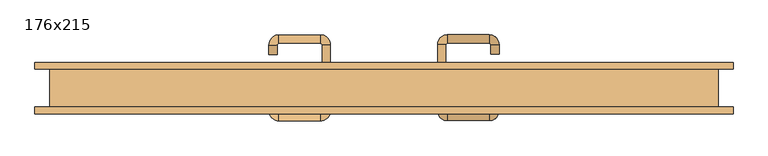
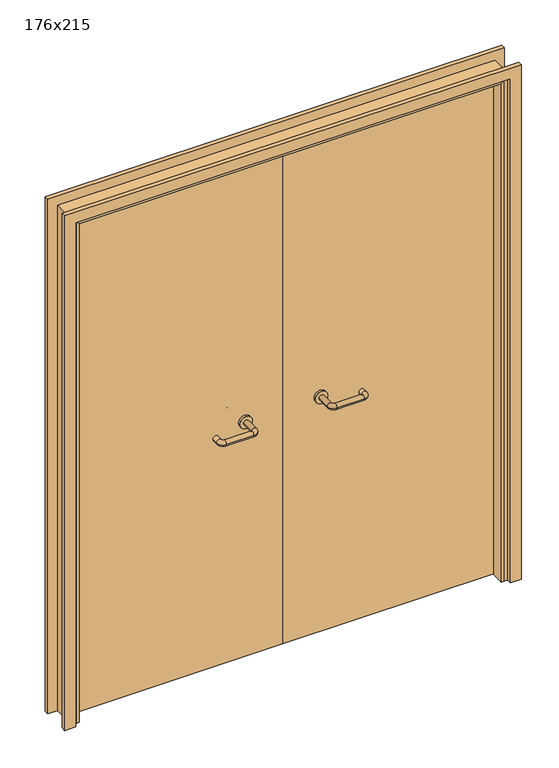
"""IFC4 building model written with IfcOpenShell, lengths in millimetres: door geometry, 176x215."""

from ifc_helpers import new_model, si_unit, point, frame, frame_2d, origin, place, context, project, spatial, polyline, circle_curve, ellipse_curve, trimmed, segment, composite_curve, outline, extrude, faceted_brep, source, transform, mapped, element, save
from ifc_brep_helpers import plane_surface, cylinder_surface, revolved_surface, advanced_brep


def door_176x215_680463d9(model_context):
    return source(origin(), model_context, "Body", "SolidModel", [
        faceted_brep([(-850.0, 3.0, 0.0), (-850.0, -49.0, 0.0), (-860.0, -49.0, 0.0), (-860.0, 3.0, 0.0), (-850.0, 3.0, 2120.0), (-850.0, -49.0, 2120.0), (-860.0, -49.0, 2130.0), (-860.0, 3.0, 2130.0), (850.0, 3.0, 0.0), (860.0, 3.0, 0.0), (860.0, -49.0, 0.0), (850.0, -49.0, 0.0), (850.0, 3.0, 2120.0), (860.0, 3.0, 2130.0), (860.0, -49.0, 2130.0), (850.0, -49.0, 2120.0)], [[[0, 1, 2, 3]], [[1, 0, 4, 5]], [[2, 1, 5, 6]], [[3, 2, 6, 7]], [[0, 3, 7, 4]], [[8, 9, 10, 11]], [[12, 13, 9, 8]], [[13, 14, 10, 9]], [[14, 15, 11, 10]], [[15, 12, 8, 11]], [[5, 4, 12, 15]], [[6, 5, 15, 14]], [[7, 6, 14, 13]], [[4, 7, 13, 12]]]),
        extrude(outline(polyline([(2189.0, 919.0), (2189.0, -919.0), (0.0, -919.0), (0.0, -875.0), (2145.0, -875.0), (2145.0, 875.0), (0.0, 875.0), (0.0, 919.0), (2189.0, 919.0)])), frame((0.0, 50.0, 0.0), z_axis=(0.0, 1.0, 0.0), x_axis=(0.0, 0.0, 1.0)), (0.0, 0.0, 1.0), 18.0),
        extrude(outline(polyline([(2189.0, -919.0), (0.0, -919.0), (0.0, -875.0), (2145.0, -875.0), (2145.0, 875.0), (0.0, 875.0), (0.0, 919.0), (2189.0, 919.0), (2189.0, -919.0)])), frame((0.0, -68.0, 0.0), z_axis=(0.0, 1.0, 0.0), x_axis=(0.0, 0.0, 1.0)), (0.0, 0.0, 1.0), 18.0),
        extrude(outline(polyline([(2150.0, -880.0), (0.0, -880.0), (0.0, -860.0), (2130.0, -860.0), (2130.0, 860.0), (0.0, 860.0), (0.0, 880.0), (2150.0, 880.0), (2150.0, -880.0)])), frame((0.0, -49.0, 0.0), z_axis=(0.0, 1.0, 0.0), x_axis=(0.0, 0.0, 1.0)), (0.0, 0.0, 1.0), 99.0),
        advanced_brep(
        [(140.99898, -4.0, 1003.0), (162.99898, -4.0, 1003.0), (140.99898, -59.3525369, 1003.0), (162.99898, -59.3525369, 1003.0), (166.99898, -63.3525369, 1003.0), (166.99898, -85.3525369, 1003.0), (276.99898, -85.3525369, 1003.0), (276.99898, -63.3525369, 1003.0), (280.99898, -59.3525369, 1003.0), (302.99898, -59.3525369, 1003.0), (302.99898, -42.0, 1003.0), (280.99898, -42.0, 1003.0)],
        [
            (0, 1, circle_curve(frame((151.99898, -4.0, 1003.0), z_axis=(0.0, 1.0, 0.0), x_axis=(1.0, 0.0, 0.0)), 11.0)),
            (1, 0, circle_curve(frame((151.99898, -4.0, 1003.0), z_axis=(0.0, 1.0, 0.0), x_axis=(1.0, 0.0, 0.0)), 11.0)),
            (0, 2),
            (2, 3, circle_curve(frame((151.99898, -59.3525369, 1003.0), z_axis=(0.0, 1.0, 0.0), x_axis=(1.0, 0.0, 0.0)), 11.0)),
            (3, 1),
            (3, 2, circle_curve(frame((151.99898, -59.3525369, 1003.0), z_axis=(0.0, 1.0, 0.0), x_axis=(1.0, 0.0, 0.0)), 11.0)),
            (4, 3, circle_curve(frame((166.99898, -59.3525369, 1003.0), z_axis=(0.0, 0.0, -1.0), x_axis=(-1.0, 0.0, 0.0)), 4.0)),
            (2, 5, circle_curve(frame((166.99898, -59.3525369, 1003.0), z_axis=(0.0, 0.0, 1.0), x_axis=(-1.0, 0.0, 0.0)), 26.0)),
            (5, 4, circle_curve(frame((166.99898, -74.3525369, 1003.0), z_axis=(-1.0, 0.0, 0.0), x_axis=(0.0, 1.0, 0.0)), 11.0)),
            (4, 5, circle_curve(frame((166.99898, -74.3525369, 1003.0), z_axis=(-1.0, 0.0, 0.0), x_axis=(0.0, 1.0, 0.0)), 11.0)),
            (5, 6),
            (6, 7, circle_curve(frame((276.99898, -74.3525369, 1003.0), z_axis=(-1.0, 0.0, 0.0), x_axis=(0.0, 1.0, 0.0)), 11.0)),
            (7, 4),
            (7, 6, circle_curve(frame((276.99898, -74.3525369, 1003.0), z_axis=(-1.0, 0.0, 0.0), x_axis=(0.0, 1.0, 0.0)), 11.0)),
            (8, 7, circle_curve(frame((276.99898, -59.3525369, 1003.0), z_axis=(0.0, 0.0, -1.0), x_axis=(0.0, -1.0, 0.0)), 4.0)),
            (6, 9, circle_curve(frame((276.99898, -59.3525369, 1003.0), z_axis=(0.0, 0.0, 1.0), x_axis=(0.0, -1.0, 0.0)), 26.0)),
            (9, 8, circle_curve(frame((291.99898, -59.3525369, 1003.0), z_axis=(0.0, -1.0, 0.0), x_axis=(-1.0, 0.0, 0.0)), 11.0)),
            (8, 9, circle_curve(frame((291.99898, -59.3525369, 1003.0), z_axis=(0.0, -1.0, 0.0), x_axis=(-1.0, 0.0, 0.0)), 11.0)),
            (10, 11, circle_curve(frame((291.99898, -42.0, 1003.0), z_axis=(0.0, 1.0, 0.0), x_axis=(-1.0, 0.0, 0.0)), 11.0)),
            (11, 10, circle_curve(frame((291.99898, -42.0, 1003.0), z_axis=(0.0, 1.0, 0.0), x_axis=(-1.0, 0.0, 0.0)), 11.0)),
            (9, 10),
            (11, 8),
        ],
        [
            plane_surface(frame((140.99898, -4.0, 1003.0), z_axis=(0.0, 1.0, 0.0), x_axis=(0.0, 0.0, -1.0))),
            cylinder_surface(frame((151.99898, -4.0, 1003.0), z_axis=(0.0, 1.0, 0.0), x_axis=(1.0, 0.0, 0.0)), 11.0),
            revolved_surface(trimmed(ellipse_curve(frame((151.99898, -59.3525369, 1003.0), z_axis=(0.0, 1.0, 0.0), x_axis=(1.0, 0.0, 0.0)), 11.0, 11.0), [point((140.99898, -59.3525369, 1003.0))], [point((162.99898, -59.3525369, 1003.0))], True, "CARTESIAN"), (166.99898, -59.3525369, 1003.0), (0.0, 0.0, 1.0)),
            revolved_surface(trimmed(ellipse_curve(frame((151.99898, -59.3525369, 1003.0), z_axis=(0.0, 1.0, 0.0), x_axis=(1.0, 0.0, 0.0)), 11.0, 11.0), [point((162.99898, -59.3525369, 1003.0))], [point((140.99898, -59.3525369, 1003.0))], True, "CARTESIAN"), (166.99898, -59.3525369, 1003.0), (0.0, 0.0, 1.0)),
            cylinder_surface(frame((166.99898, -74.3525369, 1003.0), z_axis=(-1.0, 0.0, 0.0), x_axis=(0.0, 1.0, 0.0)), 11.0),
            revolved_surface(trimmed(ellipse_curve(frame((276.99898, -74.3525369, 1003.0), z_axis=(-1.0, 0.0, 0.0), x_axis=(0.0, 1.0, 0.0)), 11.0, 11.0), [point((276.99898, -85.3525369, 1003.0))], [point((276.99898, -63.3525369, 1003.0))], True, "CARTESIAN"), (276.99898, -59.3525369, 1003.0), (0.0, 0.0, 1.0)),
            revolved_surface(trimmed(ellipse_curve(frame((276.99898, -74.3525369, 1003.0), z_axis=(-1.0, 0.0, 0.0), x_axis=(0.0, 1.0, 0.0)), 11.0, 11.0), [point((276.99898, -63.3525369, 1003.0))], [point((276.99898, -85.3525369, 1003.0))], True, "CARTESIAN"), (276.99898, -59.3525369, 1003.0), (0.0, 0.0, 1.0)),
            plane_surface(frame((280.99898, -42.0, 1003.0), z_axis=(0.0, 1.0, 0.0), x_axis=(0.0, 0.0, 1.0))),
            cylinder_surface(frame((291.99898, -59.3525369, 1003.0), z_axis=(0.0, -1.0, 0.0), x_axis=(-1.0, 0.0, 0.0)), 11.0),
        ],
        [
            (0, [[1, 2]]),
            (1, [[-1, 3, 4, 5]]),
            (1, [[-2, -5, 6, -3]]),
            (2, [[7, -4, 8, 9]]),
            (3, [[-8, -6, -7, 10]]),
            (4, [[-9, 11, 12, 13]]),
            (4, [[-10, -13, 14, -11]]),
            (5, [[15, -12, 16, 17]]),
            (6, [[-16, -14, -15, 18]]),
            (7, [[19, 20]]),
            (8, [[-17, 21, -20, 22]]),
            (8, [[-18, -22, -19, -21]]),
        ],
    ),
        extrude(outline(composite_curve([segment(trimmed(circle_curve(frame_2d((1003.0, 151.99898)), 25.0), [point((1003.0, 126.99898))], [point((1003.0, 176.99898))], False, "CARTESIAN"), True, "CONTINUOUS"), segment(trimmed(circle_curve(frame_2d((1003.0, 151.99898)), 25.0), [point((1003.0, 176.99898))], [point((1003.0, 126.99898))], False, "CARTESIAN"), True, "CONTINUOUS")], self_intersect=False)), frame((0.0, -4.0, 0.0), z_axis=(0.0, 1.0, 0.0), x_axis=(0.0, 0.0, 1.0)), (0.0, 0.0, 1.0), 10.0),
        advanced_brep(
        [(162.99898, 60.0, 1003.0), (140.99898, 60.0, 1003.0), (162.99898, 115.0, 1003.0), (140.99898, 115.0, 1003.0), (166.99898, 141.0, 1003.0), (166.99898, 119.0, 1003.0), (276.99898, 119.0, 1003.0), (276.99898, 141.0, 1003.0), (302.99898, 115.0, 1003.0), (280.99898, 115.0, 1003.0), (280.99898, 90.0, 1003.0), (302.99898, 90.0, 1003.0)],
        [
            (0, 1, circle_curve(frame((151.99898, 60.0, 1003.0), z_axis=(0.0, -1.0, 0.0), x_axis=(-1.0, 0.0, 0.0)), 11.0)),
            (1, 0, circle_curve(frame((151.99898, 60.0, 1003.0), z_axis=(0.0, -1.0, 0.0), x_axis=(-1.0, 0.0, 0.0)), 11.0)),
            (0, 2),
            (2, 3, circle_curve(frame((151.99898, 115.0, 1003.0), z_axis=(0.0, -1.0, 0.0), x_axis=(-1.0, 0.0, 0.0)), 11.0)),
            (3, 1),
            (3, 2, circle_curve(frame((151.99898, 115.0, 1003.0), z_axis=(0.0, -1.0, 0.0), x_axis=(-1.0, 0.0, 0.0)), 11.0)),
            (4, 3, circle_curve(frame((166.99898, 115.0, 1003.0), z_axis=(0.0, 0.0, 1.0), x_axis=(-1.0, 0.0, 0.0)), 26.0)),
            (2, 5, circle_curve(frame((166.99898, 115.0, 1003.0), z_axis=(0.0, 0.0, -1.0), x_axis=(-1.0, 0.0, 0.0)), 4.0)),
            (5, 4, circle_curve(frame((166.99898, 130.0, 1003.0), z_axis=(-1.0, 0.0, 0.0), x_axis=(0.0, 1.0, 0.0)), 11.0)),
            (4, 5, circle_curve(frame((166.99898, 130.0, 1003.0), z_axis=(-1.0, 0.0, 0.0), x_axis=(0.0, 1.0, 0.0)), 11.0)),
            (5, 6),
            (6, 7, circle_curve(frame((276.99898, 130.0, 1003.0), z_axis=(-1.0, 0.0, 0.0), x_axis=(0.0, 1.0, 0.0)), 11.0)),
            (7, 4),
            (7, 6, circle_curve(frame((276.99898, 130.0, 1003.0), z_axis=(-1.0, 0.0, 0.0), x_axis=(0.0, 1.0, 0.0)), 11.0)),
            (8, 7, circle_curve(frame((276.99898, 115.0, 1003.0), z_axis=(0.0, 0.0, 1.0), x_axis=(0.0, 1.0, 0.0)), 26.0)),
            (6, 9, circle_curve(frame((276.99898, 115.0, 1003.0), z_axis=(0.0, 0.0, -1.0), x_axis=(0.0, 1.0, 0.0)), 4.0)),
            (9, 8, circle_curve(frame((291.99898, 115.0, 1003.0), z_axis=(0.0, 1.0, 0.0), x_axis=(1.0, 0.0, 0.0)), 11.0)),
            (8, 9, circle_curve(frame((291.99898, 115.0, 1003.0), z_axis=(0.0, 1.0, 0.0), x_axis=(1.0, 0.0, 0.0)), 11.0)),
            (10, 11, circle_curve(frame((291.99898, 90.0, 1003.0), z_axis=(0.0, -1.0, 0.0), x_axis=(1.0, 0.0, 0.0)), 11.0)),
            (11, 10, circle_curve(frame((291.99898, 90.0, 1003.0), z_axis=(0.0, -1.0, 0.0), x_axis=(1.0, 0.0, 0.0)), 11.0)),
            (9, 10),
            (11, 8),
        ],
        [
            plane_surface(frame((140.99898, 60.0, 1003.0), z_axis=(0.0, -1.0, 0.0), x_axis=(0.0, 0.0, 1.0))),
            cylinder_surface(frame((151.99898, 60.0, 1003.0), z_axis=(0.0, -1.0, 0.0), x_axis=(-1.0, 0.0, 0.0)), 11.0),
            revolved_surface(trimmed(ellipse_curve(frame((151.99898, 115.0, 1003.0), z_axis=(0.0, -1.0, 0.0), x_axis=(-1.0, 0.0, 0.0)), 11.0, 11.0), [point((162.99898, 115.0, 1003.0))], [point((140.99898, 115.0, 1003.0))], True, "CARTESIAN"), (166.99898, 115.0, 1003.0), (0.0, 0.0, -1.0)),
            revolved_surface(trimmed(ellipse_curve(frame((151.99898, 115.0, 1003.0), z_axis=(0.0, -1.0, 0.0), x_axis=(-1.0, 0.0, 0.0)), 11.0, 11.0), [point((140.99898, 115.0, 1003.0))], [point((162.99898, 115.0, 1003.0))], True, "CARTESIAN"), (166.99898, 115.0, 1003.0), (0.0, 0.0, -1.0)),
            cylinder_surface(frame((166.99898, 130.0, 1003.0), z_axis=(-1.0, 0.0, 0.0), x_axis=(0.0, 1.0, 0.0)), 11.0),
            revolved_surface(trimmed(ellipse_curve(frame((276.99898, 130.0, 1003.0), z_axis=(-1.0, 0.0, 0.0), x_axis=(0.0, 1.0, 0.0)), 11.0, 11.0), [point((276.99898, 119.0, 1003.0))], [point((276.99898, 141.0, 1003.0))], True, "CARTESIAN"), (276.99898, 115.0, 1003.0), (0.0, 0.0, -1.0)),
            revolved_surface(trimmed(ellipse_curve(frame((276.99898, 130.0, 1003.0), z_axis=(-1.0, 0.0, 0.0), x_axis=(0.0, 1.0, 0.0)), 11.0, 11.0), [point((276.99898, 141.0, 1003.0))], [point((276.99898, 119.0, 1003.0))], True, "CARTESIAN"), (276.99898, 115.0, 1003.0), (0.0, 0.0, -1.0)),
            plane_surface(frame((280.99898, 90.0, 1003.0), z_axis=(0.0, -1.0, 0.0), x_axis=(0.0, 0.0, -1.0))),
            cylinder_surface(frame((291.99898, 115.0, 1003.0), z_axis=(0.0, 1.0, 0.0), x_axis=(1.0, 0.0, 0.0)), 11.0),
        ],
        [
            (0, [[1, 2]]),
            (1, [[-1, 3, 4, 5]]),
            (1, [[-2, -5, 6, -3]]),
            (2, [[7, -4, 8, 9]]),
            (3, [[-8, -6, -7, 10]]),
            (4, [[-9, 11, 12, 13]]),
            (4, [[-10, -13, 14, -11]]),
            (5, [[15, -12, 16, 17]]),
            (6, [[-16, -14, -15, 18]]),
            (7, [[19, 20]]),
            (8, [[-17, 21, -20, 22]]),
            (8, [[-18, -22, -19, -21]]),
        ],
    ),
        extrude(outline(composite_curve([segment(trimmed(circle_curve(frame_2d((1003.0, 151.99898)), 25.0), [point((1003.0, 176.99898))], [point((1003.0, 126.99898))], False, "CARTESIAN"), True, "CONTINUOUS"), segment(trimmed(circle_curve(frame_2d((1003.0, 151.99898)), 25.0), [point((1003.0, 126.99898))], [point((1003.0, 176.99898))], False, "CARTESIAN"), True, "CONTINUOUS")], self_intersect=False)), frame((0.0, 50.0, 0.0), z_axis=(0.0, 1.0, 0.0), x_axis=(0.0, 0.0, 1.0)), (0.0, 0.0, 1.0), 10.0),
        advanced_brep(
        [(-162.99898, -4.3113879, 1003.0), (-140.99898, -4.3113879, 1003.0), (-162.99898, -59.7220447, 1003.0), (-140.99898, -59.7220447, 1003.0), (-166.99898, -85.7220447, 1003.0), (-166.99898, -63.7220447, 1003.0), (-276.99898, -63.7220447, 1003.0), (-276.99898, -85.7220447, 1003.0), (-302.99898, -59.7220447, 1003.0), (-280.99898, -59.7220447, 1003.0), (-280.99898, -34.7220447, 1003.0), (-302.99898, -34.7220447, 1003.0)],
        [
            (0, 1, circle_curve(frame((-151.99898, -4.3113879, 1003.0), z_axis=(0.0, 1.0, 0.0), x_axis=(1.0, 0.0, 0.0)), 11.0)),
            (1, 0, circle_curve(frame((-151.99898, -4.3113879, 1003.0), z_axis=(0.0, 1.0, 0.0), x_axis=(1.0, 0.0, 0.0)), 11.0)),
            (0, 2),
            (2, 3, circle_curve(frame((-151.99898, -59.7220447, 1003.0), z_axis=(0.0, 1.0, 0.0), x_axis=(1.0, 0.0, 0.0)), 11.0)),
            (3, 1),
            (3, 2, circle_curve(frame((-151.99898, -59.7220447, 1003.0), z_axis=(0.0, 1.0, 0.0), x_axis=(1.0, 0.0, 0.0)), 11.0)),
            (4, 3, circle_curve(frame((-166.99898, -59.7220447, 1003.0), z_axis=(0.0, 0.0, 1.0), x_axis=(1.0, 0.0, 0.0)), 26.0)),
            (2, 5, circle_curve(frame((-166.99898, -59.7220447, 1003.0), z_axis=(0.0, 0.0, -1.0), x_axis=(1.0, 0.0, 0.0)), 4.0)),
            (5, 4, circle_curve(frame((-166.99898, -74.7220447, 1003.0), z_axis=(1.0, 0.0, 0.0), x_axis=(0.0, -1.0, 0.0)), 11.0)),
            (4, 5, circle_curve(frame((-166.99898, -74.7220447, 1003.0), z_axis=(1.0, 0.0, 0.0), x_axis=(0.0, -1.0, 0.0)), 11.0)),
            (5, 6),
            (6, 7, circle_curve(frame((-276.99898, -74.7220447, 1003.0), z_axis=(1.0, 0.0, 0.0), x_axis=(0.0, -1.0, 0.0)), 11.0)),
            (7, 4),
            (7, 6, circle_curve(frame((-276.99898, -74.7220447, 1003.0), z_axis=(1.0, 0.0, 0.0), x_axis=(0.0, -1.0, 0.0)), 11.0)),
            (8, 7, circle_curve(frame((-276.99898, -59.7220447, 1003.0), z_axis=(0.0, 0.0, 1.0), x_axis=(0.0, -1.0, 0.0)), 26.0)),
            (6, 9, circle_curve(frame((-276.99898, -59.7220447, 1003.0), z_axis=(0.0, 0.0, -1.0), x_axis=(0.0, -1.0, 0.0)), 4.0)),
            (9, 8, circle_curve(frame((-291.99898, -59.7220447, 1003.0), z_axis=(0.0, -1.0, 0.0), x_axis=(-1.0, 0.0, 0.0)), 11.0)),
            (8, 9, circle_curve(frame((-291.99898, -59.7220447, 1003.0), z_axis=(0.0, -1.0, 0.0), x_axis=(-1.0, 0.0, 0.0)), 11.0)),
            (10, 11, circle_curve(frame((-291.99898, -34.7220447, 1003.0), z_axis=(0.0, 1.0, 0.0), x_axis=(-1.0, 0.0, 0.0)), 11.0)),
            (11, 10, circle_curve(frame((-291.99898, -34.7220447, 1003.0), z_axis=(0.0, 1.0, 0.0), x_axis=(-1.0, 0.0, 0.0)), 11.0)),
            (9, 10),
            (11, 8),
        ],
        [
            plane_surface(frame((-162.99898, -4.3113879, 1003.0), z_axis=(0.0, 1.0, 0.0), x_axis=(0.0, 0.0, -1.0))),
            cylinder_surface(frame((-151.99898, -4.3113879, 1003.0), z_axis=(0.0, 1.0, 0.0), x_axis=(1.0, 0.0, 0.0)), 11.0),
            revolved_surface(trimmed(ellipse_curve(frame((-151.99898, -59.7220447, 1003.0), z_axis=(0.0, 1.0, 0.0), x_axis=(1.0, 0.0, 0.0)), 11.0, 11.0), [point((-162.99898, -59.7220447, 1003.0))], [point((-140.99898, -59.7220447, 1003.0))], True, "CARTESIAN"), (-166.99898, -59.7220447, 1003.0), (0.0, 0.0, -1.0)),
            revolved_surface(trimmed(ellipse_curve(frame((-151.99898, -59.7220447, 1003.0), z_axis=(0.0, 1.0, 0.0), x_axis=(1.0, 0.0, 0.0)), 11.0, 11.0), [point((-140.99898, -59.7220447, 1003.0))], [point((-162.99898, -59.7220447, 1003.0))], True, "CARTESIAN"), (-166.99898, -59.7220447, 1003.0), (0.0, 0.0, -1.0)),
            cylinder_surface(frame((-166.99898, -74.7220447, 1003.0), z_axis=(1.0, 0.0, 0.0), x_axis=(0.0, -1.0, 0.0)), 11.0),
            revolved_surface(trimmed(ellipse_curve(frame((-276.99898, -74.7220447, 1003.0), z_axis=(1.0, 0.0, 0.0), x_axis=(0.0, -1.0, 0.0)), 11.0, 11.0), [point((-276.99898, -63.7220447, 1003.0))], [point((-276.99898, -85.7220447, 1003.0))], True, "CARTESIAN"), (-276.99898, -59.7220447, 1003.0), (0.0, 0.0, -1.0)),
            revolved_surface(trimmed(ellipse_curve(frame((-276.99898, -74.7220447, 1003.0), z_axis=(1.0, 0.0, 0.0), x_axis=(0.0, -1.0, 0.0)), 11.0, 11.0), [point((-276.99898, -85.7220447, 1003.0))], [point((-276.99898, -63.7220447, 1003.0))], True, "CARTESIAN"), (-276.99898, -59.7220447, 1003.0), (0.0, 0.0, -1.0)),
            plane_surface(frame((-302.99898, -34.7220447, 1003.0), z_axis=(0.0, 1.0, 0.0), x_axis=(0.0, 0.0, 1.0))),
            cylinder_surface(frame((-291.99898, -59.7220447, 1003.0), z_axis=(0.0, -1.0, 0.0), x_axis=(-1.0, 0.0, 0.0)), 11.0),
        ],
        [
            (0, [[1, 2]]),
            (1, [[-1, 3, 4, 5]]),
            (1, [[-2, -5, 6, -3]]),
            (2, [[7, -4, 8, 9]]),
            (3, [[-8, -6, -7, 10]]),
            (4, [[-9, 11, 12, 13]]),
            (4, [[-10, -13, 14, -11]]),
            (5, [[15, -12, 16, 17]]),
            (6, [[-16, -14, -15, 18]]),
            (7, [[19, 20]]),
            (8, [[-17, 21, -20, 22]]),
            (8, [[-18, -22, -19, -21]]),
        ],
    ),
        extrude(outline(composite_curve([segment(trimmed(circle_curve(frame_2d((1003.0, -151.99898)), 25.0), [point((1003.0, -176.99898))], [point((1003.0, -126.99898))], False, "CARTESIAN"), True, "CONTINUOUS"), segment(trimmed(circle_curve(frame_2d((1003.0, -151.99898)), 25.0), [point((1003.0, -126.99898))], [point((1003.0, -176.99898))], False, "CARTESIAN"), True, "CONTINUOUS")], self_intersect=False)), frame((0.0, -4.3113879, 0.0), z_axis=(0.0, 1.0, 0.0), x_axis=(0.0, 0.0, 1.0)), (0.0, 0.0, 1.0), 10.3113879),
        advanced_brep(
        [(-140.99898, 59.5143417, 1003.0), (-162.99898, 59.5143417, 1003.0), (-140.99898, 114.6104656, 1003.0), (-162.99898, 114.6104656, 1003.0), (-166.99898, 118.6104656, 1003.0), (-166.99898, 140.6104656, 1003.0), (-276.99898, 140.6104656, 1003.0), (-276.99898, 118.6104656, 1003.0), (-280.99898, 114.6104656, 1003.0), (-302.99898, 114.6104656, 1003.0), (-302.99898, 89.6104656, 1003.0), (-280.99898, 89.6104656, 1003.0)],
        [
            (0, 1, circle_curve(frame((-151.99898, 59.5143417, 1003.0), z_axis=(0.0, -1.0, 0.0), x_axis=(-1.0, 0.0, 0.0)), 11.0)),
            (1, 0, circle_curve(frame((-151.99898, 59.5143417, 1003.0), z_axis=(0.0, -1.0, 0.0), x_axis=(-1.0, 0.0, 0.0)), 11.0)),
            (0, 2),
            (2, 3, circle_curve(frame((-151.99898, 114.6104656, 1003.0), z_axis=(0.0, -1.0, 0.0), x_axis=(-1.0, 0.0, 0.0)), 11.0)),
            (3, 1),
            (3, 2, circle_curve(frame((-151.99898, 114.6104656, 1003.0), z_axis=(0.0, -1.0, 0.0), x_axis=(-1.0, 0.0, 0.0)), 11.0)),
            (4, 3, circle_curve(frame((-166.99898, 114.6104656, 1003.0), z_axis=(0.0, 0.0, -1.0), x_axis=(1.0, 0.0, 0.0)), 4.0)),
            (2, 5, circle_curve(frame((-166.99898, 114.6104656, 1003.0), z_axis=(0.0, 0.0, 1.0), x_axis=(1.0, 0.0, 0.0)), 26.0)),
            (5, 4, circle_curve(frame((-166.99898, 129.6104656, 1003.0), z_axis=(1.0, 0.0, 0.0), x_axis=(0.0, -1.0, 0.0)), 11.0)),
            (4, 5, circle_curve(frame((-166.99898, 129.6104656, 1003.0), z_axis=(1.0, 0.0, 0.0), x_axis=(0.0, -1.0, 0.0)), 11.0)),
            (5, 6),
            (6, 7, circle_curve(frame((-276.99898, 129.6104656, 1003.0), z_axis=(1.0, 0.0, 0.0), x_axis=(0.0, -1.0, 0.0)), 11.0)),
            (7, 4),
            (7, 6, circle_curve(frame((-276.99898, 129.6104656, 1003.0), z_axis=(1.0, 0.0, 0.0), x_axis=(0.0, -1.0, 0.0)), 11.0)),
            (8, 7, circle_curve(frame((-276.99898, 114.6104656, 1003.0), z_axis=(0.0, 0.0, -1.0), x_axis=(0.0, 1.0, 0.0)), 4.0)),
            (6, 9, circle_curve(frame((-276.99898, 114.6104656, 1003.0), z_axis=(0.0, 0.0, 1.0), x_axis=(0.0, 1.0, 0.0)), 26.0)),
            (9, 8, circle_curve(frame((-291.99898, 114.6104656, 1003.0), z_axis=(0.0, 1.0, 0.0), x_axis=(1.0, 0.0, 0.0)), 11.0)),
            (8, 9, circle_curve(frame((-291.99898, 114.6104656, 1003.0), z_axis=(0.0, 1.0, 0.0), x_axis=(1.0, 0.0, 0.0)), 11.0)),
            (10, 11, circle_curve(frame((-291.99898, 89.6104656, 1003.0), z_axis=(0.0, -1.0, 0.0), x_axis=(1.0, 0.0, 0.0)), 11.0)),
            (11, 10, circle_curve(frame((-291.99898, 89.6104656, 1003.0), z_axis=(0.0, -1.0, 0.0), x_axis=(1.0, 0.0, 0.0)), 11.0)),
            (9, 10),
            (11, 8),
        ],
        [
            plane_surface(frame((-162.99898, 59.5143417, 1003.0), z_axis=(0.0, -1.0, 0.0), x_axis=(0.0, 0.0, 1.0))),
            cylinder_surface(frame((-151.99898, 59.5143417, 1003.0), z_axis=(0.0, -1.0, 0.0), x_axis=(-1.0, 0.0, 0.0)), 11.0),
            revolved_surface(trimmed(ellipse_curve(frame((-151.99898, 114.6104656, 1003.0), z_axis=(0.0, -1.0, 0.0), x_axis=(-1.0, 0.0, 0.0)), 11.0, 11.0), [point((-140.99898, 114.6104656, 1003.0))], [point((-162.99898, 114.6104656, 1003.0))], True, "CARTESIAN"), (-166.99898, 114.6104656, 1003.0), (0.0, 0.0, 1.0)),
            revolved_surface(trimmed(ellipse_curve(frame((-151.99898, 114.6104656, 1003.0), z_axis=(0.0, -1.0, 0.0), x_axis=(-1.0, 0.0, 0.0)), 11.0, 11.0), [point((-162.99898, 114.6104656, 1003.0))], [point((-140.99898, 114.6104656, 1003.0))], True, "CARTESIAN"), (-166.99898, 114.6104656, 1003.0), (0.0, 0.0, 1.0)),
            cylinder_surface(frame((-166.99898, 129.6104656, 1003.0), z_axis=(1.0, 0.0, 0.0), x_axis=(0.0, -1.0, 0.0)), 11.0),
            revolved_surface(trimmed(ellipse_curve(frame((-276.99898, 129.6104656, 1003.0), z_axis=(1.0, 0.0, 0.0), x_axis=(0.0, -1.0, 0.0)), 11.0, 11.0), [point((-276.99898, 140.6104656, 1003.0))], [point((-276.99898, 118.6104656, 1003.0))], True, "CARTESIAN"), (-276.99898, 114.6104656, 1003.0), (0.0, 0.0, 1.0)),
            revolved_surface(trimmed(ellipse_curve(frame((-276.99898, 129.6104656, 1003.0), z_axis=(1.0, 0.0, 0.0), x_axis=(0.0, -1.0, 0.0)), 11.0, 11.0), [point((-276.99898, 118.6104656, 1003.0))], [point((-276.99898, 140.6104656, 1003.0))], True, "CARTESIAN"), (-276.99898, 114.6104656, 1003.0), (0.0, 0.0, 1.0)),
            plane_surface(frame((-302.99898, 89.6104656, 1003.0), z_axis=(0.0, -1.0, 0.0), x_axis=(0.0, 0.0, -1.0))),
            cylinder_surface(frame((-291.99898, 114.6104656, 1003.0), z_axis=(0.0, 1.0, 0.0), x_axis=(1.0, 0.0, 0.0)), 11.0),
        ],
        [
            (0, [[1, 2]]),
            (1, [[-1, 3, 4, 5]]),
            (1, [[-2, -5, 6, -3]]),
            (2, [[7, -4, 8, 9]]),
            (3, [[-8, -6, -7, 10]]),
            (4, [[-9, 11, 12, 13]]),
            (4, [[-10, -13, 14, -11]]),
            (5, [[15, -12, 16, 17]]),
            (6, [[-16, -14, -15, 18]]),
            (7, [[19, 20]]),
            (8, [[-17, 21, -20, 22]]),
            (8, [[-18, -22, -19, -21]]),
        ],
    ),
        extrude(outline(composite_curve([segment(trimmed(circle_curve(frame_2d((1003.0, -151.99898)), 25.0), [point((1003.0, -126.99898))], [point((1003.0, -176.99898))], False, "CARTESIAN"), True, "CONTINUOUS"), segment(trimmed(circle_curve(frame_2d((1003.0, -151.99898)), 25.0), [point((1003.0, -176.99898))], [point((1003.0, -126.99898))], False, "CARTESIAN"), True, "CONTINUOUS")], self_intersect=False)), frame((0.0, 50.0, 0.0), z_axis=(0.0, 1.0, 0.0), x_axis=(0.0, 0.0, 1.0)), (0.0, 0.0, 1.0), 9.5143417),
        extrude(outline(polyline([(1.0739506, 6.0), (-857.0, 6.0), (-857.0, 50.0), (1.0739506, 50.0), (1.0739506, 6.0)])), frame((0.0, 0.0, 1.753223), z_axis=(0.0, 0.0, 1.0), x_axis=(1.0, 0.0, 0.0)), (0.0, 0.0, 1.0), 2128.246777),
        extrude(outline(polyline([(857.0, 6.0), (1.0739506, 6.0), (1.0739506, 50.0), (857.0, 50.0), (857.0, 6.0)])), frame((0.0, 0.0, 1.753223), z_axis=(0.0, 0.0, 1.0), x_axis=(1.0, 0.0, 0.0)), (0.0, 0.0, 1.0), 2128.246777),
    ])


if __name__ == "__main__":
    model = new_model("IFC4")
    model_context = context("Model", 3, world=origin())
    ifc_project = project(units=[si_unit("LENGTHUNIT", "METRE", prefix="MILLI")], contexts=[model_context])
    site = spatial("IfcSite", under=ifc_project)
    building = spatial("IfcBuilding", under=site)
    placement = place(None, origin())
    door_176x215_shape = door_176x215_680463d9(model_context)
    element("IfcDoor", 1, ObjectType="176x215", at=placement, inside=building, context=model_context, shape_type="MappedRepresentation", body=[
        mapped(door_176x215_shape, transform((0.0, 0.0, 0.0), x_axis=(1.0, 0.0, 0.0), y_axis=(0.0, 1.0, 0.0), z_axis=(0.0, 0.0, 1.0))),
    ])
    save(model, "model.ifc")
